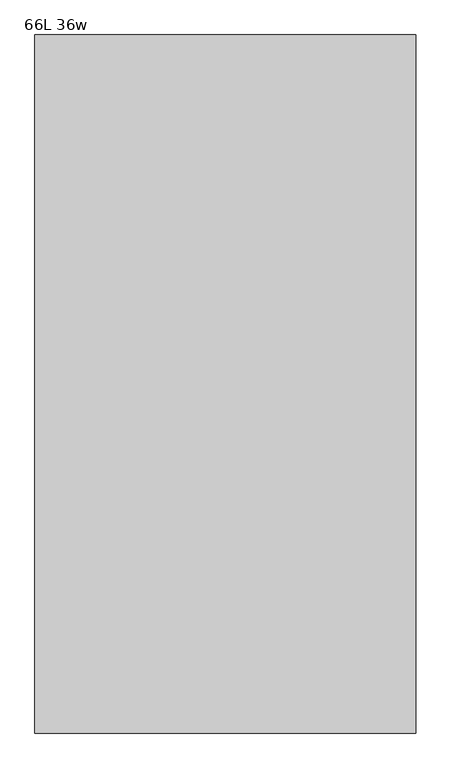
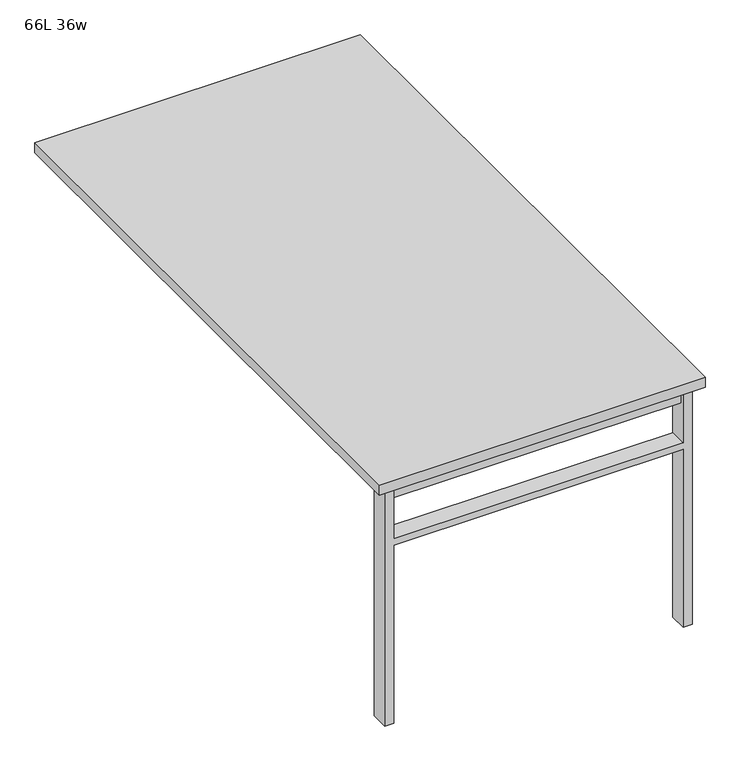
"""IFC4 building model written with IfcOpenShell, lengths in millimetres: furniture geometry, 66L 36w."""

from ifc_helpers import new_model, si_unit, frame, origin, place, context, project, spatial, polyline, outline, extrude, source, transform, mapped, element, save


def furniture_66l_36w_7199ecf9(model_context):
    return source(origin(), model_context, "Body", "SweptSolid", [
        extrude(outline(polyline([(-406.4, -777.875), (406.4, -777.875), (406.4, -809.625), (-406.4, -809.625), (-406.4, -777.875)])), frame((0.0, 0.0, 661.9875), z_axis=(0.0, 0.0, 1.0), x_axis=(1.0, 0.0, 0.0)), (0.0, 0.0, 1.0), 44.45),
        extrude(outline(polyline([(528.6375, 406.4), (0.0, 406.4), (0.0, 431.8), (706.4375, 431.8), (706.4375, 406.4), (547.6875, 406.4), (547.6875, -406.4), (706.4375, -406.4), (706.4375, -431.8), (0.0, -431.8), (0.0, -406.4), (528.6375, -406.4), (528.6375, 406.4)])), frame((0.0, -819.15, 0.0), z_axis=(0.0, 1.0, 0.0), x_axis=(0.0, 0.0, 1.0)), (0.0, 0.0, 1.0), 50.8),
        extrude(outline(polyline([(-457.2, -838.2), (-457.2, 838.2), (457.2, 838.2), (457.2, -838.2), (-457.2, -838.2)])), frame((0.0, 0.0, 706.4375), z_axis=(0.0, 0.0, 1.0), x_axis=(1.0, 0.0, 0.0)), (0.0, 0.0, 1.0), 30.1625),
    ])


if __name__ == "__main__":
    model = new_model("IFC4")
    model_context = context("Model", 3, world=origin())
    ifc_project = project(units=[si_unit("LENGTHUNIT", "METRE", prefix="MILLI")], contexts=[model_context])
    site = spatial("IfcSite", under=ifc_project)
    building = spatial("IfcBuilding", under=site)
    placement = place(None, origin())
    furniture_66l_36w_shape = furniture_66l_36w_7199ecf9(model_context)
    element("IfcFurniture", 1, ObjectType="66L 36w", at=placement, inside=building, context=model_context, shape_type="MappedRepresentation", body=[
        mapped(furniture_66l_36w_shape, transform((0.0, 0.0, 0.0), x_axis=(1.0, 0.0, 0.0), y_axis=(0.0, 1.0, 0.0), z_axis=(0.0, 0.0, 1.0))),
    ])
    save(model, "model.ifc")
